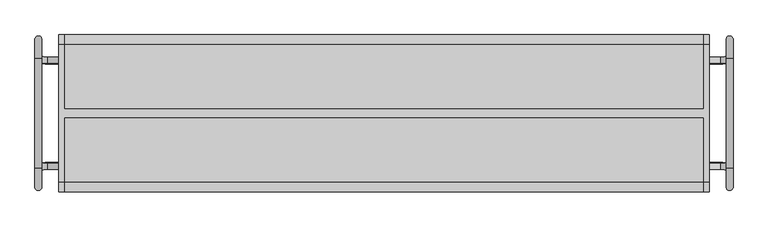
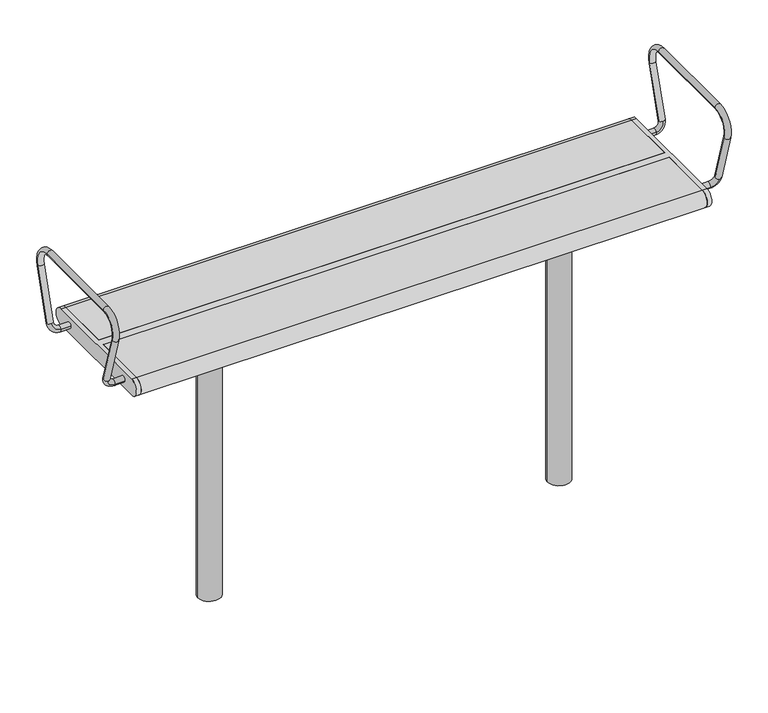
"""IFC4 building model written with IfcOpenShell, lengths in millimetres: furniture geometry."""

import ifcopenshell
import ifcopenshell.guid

model = None  # the IFC model being written
_history = None  # IfcOwnerHistory: only IFC2X3 demands one
_inside = {}  # id of a spatial element -> (the spatial element, [elements in it])
_under = {}  # id of a project, library or spatial element -> (it, [spatial elements below it])
_declared = {}  # id of a project -> (the project, [libraries it declares])
_typed = {}  # id of a type object -> (the type object, [elements of that type])
_made_of = {}  # id of a material, layer set ... -> (it, [elements and type objects made of it])


def new_model(schema):
    """Start an empty IFC model of exactly this schema.

    Asked for "IFC4X3", IfcOpenShell would pick the latest addendum, in which some entities
    have other attributes; the version numbers below select the first issue.
    IFC2X3 requires an IfcOwnerHistory on every rooted entity: one is made here for all.
    """
    global model, _history
    if schema == "IFC4X3":
        model = ifcopenshell.file(schema_version=(4, 3, 0, 0))
    else:
        model = ifcopenshell.file(schema=schema)
    _inside.clear()
    _under.clear()
    _declared.clear()
    _typed.clear()
    _made_of.clear()
    _history = None
    if model.schema == "IFC2X3":
        org = make("IfcOrganization", Name="unknown")
        user = make(
            "IfcPersonAndOrganization",
            ThePerson=make("IfcPerson", FamilyName="unknown"),
            TheOrganization=org,
        )
        app = make(
            "IfcApplication",
            ApplicationDeveloper=org,
            Version="unknown",
            ApplicationFullName="unknown",
            ApplicationIdentifier="unknown",
        )
        _history = make(
            "IfcOwnerHistory",
            OwningUser=user,
            OwningApplication=app,
            ChangeAction="ADDED",
            CreationDate=0,
        )
    return model


def make(cls, **values):
    """One entity of the class cls with the attributes given. An attribute that is None is left unset."""
    return model.create_entity(
        cls, **{name: value for name, value in values.items() if value is not None}
    )


def rooted(cls, **values):
    """An entity with a GlobalId (a new one), such as an element, a storey or a relation."""
    return make(cls, GlobalId=ifcopenshell.guid.new(), OwnerHistory=_history, **values)


def si_unit(unit_type, name, prefix=None):
    """IfcSIUnit, for example si_unit("LENGTHUNIT", "METRE", prefix="MILLI")."""
    return make("IfcSIUnit", UnitType=unit_type, Prefix=prefix, Name=name)


def assignment(units):
    """IfcUnitAssignment: the units of a project."""
    return None if units is None else make("IfcUnitAssignment", Units=units)


def point(xyz):
    """IfcCartesianPoint."""
    return None if xyz is None else make("IfcCartesianPoint", Coordinates=xyz)


def direction(xyz):
    """IfcDirection."""
    return None if xyz is None else make("IfcDirection", DirectionRatios=xyz)


def frame(location, z_axis=None, x_axis=None):
    """IfcAxis2Placement3D, a coordinate frame: its origin and axes. An axis left out is left unset."""
    return make(
        "IfcAxis2Placement3D",
        Location=point(location),
        Axis=direction(z_axis),
        RefDirection=direction(x_axis),
    )


def frame_2d(location, x_axis=None):
    """IfcAxis2Placement2D, a coordinate frame in the plane: its origin and x axis."""
    return make(
        "IfcAxis2Placement2D", Location=point(location), RefDirection=direction(x_axis)
    )


def origin():
    """The frame at (0, 0, 0) with its axes left unset."""
    return frame((0.0, 0.0, 0.0))


def place(relative_to, where):
    """IfcLocalPlacement: puts the frame where relative to a parent placement (None: the world)."""
    return make(
        "IfcLocalPlacement", PlacementRelTo=relative_to, RelativePlacement=where
    )


def context(
    kind, dimensions, precision=None, world=None, true_north=None, identifier=None
):
    """IfcGeometricRepresentationContext, for example the 3D "Model" context."""
    return make(
        "IfcGeometricRepresentationContext",
        ContextIdentifier=identifier,
        ContextType=kind,
        CoordinateSpaceDimension=dimensions,
        Precision=precision,
        WorldCoordinateSystem=world,
        TrueNorth=true_north,
    )


def project(units=None, contexts=None):
    """IfcProject with its units and contexts."""
    return rooted(
        "IfcProject",
        Name="project",
        RepresentationContexts=contexts,
        UnitsInContext=assignment(units),
    )


def spatial(cls, under=None, at=None, **own):
    """A site, building, storey or space (cls), placed at a placement, below another one or the project."""
    s = rooted(cls, ObjectPlacement=at, **own)
    if under is not None:
        _under.setdefault(under.id(), (under, []))[1].append(s)
    return s


def polyline(points):
    """IfcPolyline through the points."""
    return make("IfcPolyline", Points=[point(p) for p in points])


def circle_curve(where, radius):
    """IfcCircle in the frame where."""
    return make("IfcCircle", Position=where, Radius=radius)


def ellipse_curve(where, semi_axis1, semi_axis2):
    """IfcEllipse in the frame where."""
    return make(
        "IfcEllipse", Position=where, SemiAxis1=semi_axis1, SemiAxis2=semi_axis2
    )


def trimmed(basis, trim1, trim2, sense, master):
    """IfcTrimmedCurve: the piece of a basis curve between two trims."""
    return make(
        "IfcTrimmedCurve",
        BasisCurve=basis,
        Trim1=trim1,
        Trim2=trim2,
        SenseAgreement=sense,
        MasterRepresentation=master,
    )


def segment(curve, same_sense, transition):
    """IfcCompositeCurveSegment."""
    return make(
        "IfcCompositeCurveSegment",
        Transition=transition,
        SameSense=same_sense,
        ParentCurve=curve,
    )


def composite_curve(segments, self_intersect=None):
    """IfcCompositeCurve: segments joined end to end."""
    return make("IfcCompositeCurve", Segments=segments, SelfIntersect=self_intersect)


def outline(outer, holes=None, kind="AREA"):
    """IfcArbitraryClosedProfileDef: a profile drawn as a closed curve; with holes, ...WithVoids."""
    if holes is None:
        return make("IfcArbitraryClosedProfileDef", ProfileType=kind, OuterCurve=outer)
    return make(
        "IfcArbitraryProfileDefWithVoids",
        ProfileType=kind,
        OuterCurve=outer,
        InnerCurves=holes,
    )


def extrude(swept, where, along, depth):
    """IfcExtrudedAreaSolid: the profile swept, set in the frame where, extruded along a direction by depth."""
    return make(
        "IfcExtrudedAreaSolid",
        SweptArea=swept,
        Position=where,
        ExtrudedDirection=direction(along),
        Depth=depth,
    )


def shape(context_of_items, identifier, shape_type, items):
    """IfcShapeRepresentation: the items that make up one representation, for example the "Body"."""
    return make(
        "IfcShapeRepresentation",
        ContextOfItems=context_of_items,
        RepresentationIdentifier=identifier,
        RepresentationType=shape_type,
        Items=items,
    )


def source(mapping_origin, context_of_items, identifier, shape_type, items):
    """IfcRepresentationMap: a shape defined once, which mapped items show again and again."""
    return make(
        "IfcRepresentationMap",
        MappingOrigin=mapping_origin,
        MappedRepresentation=shape(context_of_items, identifier, shape_type, items),
    )


def transform(
    local_origin,
    x_axis=None,
    y_axis=None,
    z_axis=None,
    scale=None,
    scale2=None,
    scale3=None,
    uniform=True,
):
    """IfcCartesianTransformationOperator3D, or its non-uniform kind. x_axis, y_axis, z_axis: its Axis1, 2, 3."""
    if uniform:
        return make(
            "IfcCartesianTransformationOperator3D",
            Axis1=direction(x_axis),
            Axis2=direction(y_axis),
            LocalOrigin=point(local_origin),
            Scale=scale,
            Axis3=direction(z_axis),
        )
    return make(
        "IfcCartesianTransformationOperator3DnonUniform",
        Axis1=direction(x_axis),
        Axis2=direction(y_axis),
        LocalOrigin=point(local_origin),
        Scale=scale,
        Axis3=direction(z_axis),
        Scale2=scale2,
        Scale3=scale3,
    )


def mapped(mapping_source, mapping_target):
    """IfcMappedItem: shows the shape of a source again, moved by a transform."""
    return make(
        "IfcMappedItem", MappingSource=mapping_source, MappingTarget=mapping_target
    )


def made_of(thing, what):
    """Note that an element or type object is made of a material, layer set ...; save() writes the relation."""
    if what is not None:
        _made_of.setdefault(what.id(), (what, []))[1].append(thing)
    return thing


def element(
    cls,
    number,
    at=None,
    inside=None,
    cuts=None,
    type_object=None,
    material=None,
    context=None,
    identifier="Body",
    shape_type=None,
    held_by="IfcProductDefinitionShape",
    body=None,
    shapes=None,
    **own,
):
    """One element of the class cls, such as IfcWall. Its Tag is "e" and its number.

    at: its placement. inside: the storey or other place that contains it. cuts: it is an
    opening in that element (IfcRelVoidsElement). A single representation is given by context,
    identifier, shape_type and body (its items); several are given by shapes. held_by: the class
    of the entity that holds the representations. save() writes the other relations.
    """
    e = rooted(cls, Tag="e%d" % number, ObjectPlacement=at, **own)
    if body is not None:
        shapes = [shape(context, identifier, shape_type, body)]
    if shapes is not None:
        e.Representation = make(held_by, Representations=shapes)
    if inside is not None:
        _inside.setdefault(inside.id(), (inside, []))[1].append(e)
    if cuts is not None:
        rooted(
            "IfcRelVoidsElement", RelatingBuildingElement=cuts, RelatedOpeningElement=e
        )
    if type_object is not None:
        _typed.setdefault(type_object.id(), (type_object, []))[1].append(e)
    return made_of(e, material)


def aggregate(whole, parts):
    """IfcRelAggregates: a whole, such as a stair, and the parts it consists of."""
    return rooted("IfcRelAggregates", RelatingObject=whole, RelatedObjects=parts)


def save(model, path):
    """Write the relations noted so far, then the file.

    IfcRelAggregates (storeys below a building ...), IfcRelContainedInSpatialStructure (elements
    in a storey), IfcRelDefinesByType, IfcRelAssociatesMaterial and IfcRelDeclares: one each for
    every whole, place, type object, material and project.
    """
    for whole, parts in _under.values():
        aggregate(whole, parts)
    for where, things in _inside.values():
        rooted(
            "IfcRelContainedInSpatialStructure",
            RelatedElements=things,
            RelatingStructure=where,
        )
    for kind, things in _typed.values():
        rooted("IfcRelDefinesByType", RelatedObjects=things, RelatingType=kind)
    for what, things in _made_of.values():
        rooted("IfcRelAssociatesMaterial", RelatedObjects=things, RelatingMaterial=what)
    for by, libraries in _declared.values():
        rooted("IfcRelDeclares", RelatingContext=by, RelatedDefinitions=libraries)
    model.write(path)


def plane_surface(at):
    """IfcPlane: the flat surface through the origin of the frame at, square to its z axis."""
    return make("IfcPlane", Position=at)


def cylinder_surface(at, radius):
    """IfcCylindricalSurface: all points at the distance radius from the z axis of the frame at."""
    return make("IfcCylindricalSurface", Position=at, Radius=radius)


def revolved_surface(curve, axis_point, axis_direction):
    """IfcSurfaceOfRevolution: the curve turned about the line through axis_point along axis_direction."""
    return make(
        "IfcSurfaceOfRevolution",
        SweptCurve=make("IfcArbitraryOpenProfileDef", ProfileType="CURVE", Curve=curve),
        AxisPosition=make("IfcAxis1Placement", Location=point(axis_point), Axis=direction(axis_direction)),
    )


def advanced_brep(points, edges, surfaces, faces):
    """IfcAdvancedBrep: a solid bounded by faces that lie on surfaces and meet in shared edges.

    An edge is (start, end): straight between two places in points (the first is 0);
    or (start, end, curve); or (start, end, curve, False) where it runs against its curve.
    A face is (place in surfaces, loops), or (place, loops, False) where it looks against
    its surface's normal. A loop lists edges by number (the first is 1), with a minus sign
    where the edge is run from its end to its start. The first loop is the outer one.
    """
    corners = [point(p) for p in points]
    vertices = [make("IfcVertexPoint", VertexGeometry=c) for c in corners]
    made = []
    for start, end, *more in edges:
        made.append(
            make(
                "IfcEdgeCurve",
                EdgeStart=vertices[start],
                EdgeEnd=vertices[end],
                EdgeGeometry=more[0] if more else make("IfcPolyline", Points=[corners[start], corners[end]]),
                SameSense=more[1] if len(more) > 1 else True,
            )
        )
    hull = []
    for where, loops, *sense in faces:
        bounds = []
        for j, loop in enumerate(loops):
            ring = [make("IfcOrientedEdge", EdgeElement=made[abs(k) - 1], Orientation=k > 0) for k in loop]
            bounds.append(
                make(
                    "IfcFaceOuterBound" if j == 0 else "IfcFaceBound",
                    Bound=make("IfcEdgeLoop", EdgeList=ring),
                    Orientation=True,
                )
            )
        hull.append(make("IfcAdvancedFace", Bounds=bounds, FaceSurface=surfaces[where], SameSense=sense[0] if sense else True))
    return make("IfcAdvancedBrep", Outer=make("IfcClosedShell", CfsFaces=hull))


def furniture_abea199f(model_context):
    return source(origin(), model_context, "Body", "SolidModel", [
        extrude(outline(composite_curve([segment(trimmed(circle_curve(frame_2d((460.0, 0.0)), 30.0), [point((430.0, 0.0))], [point((490.0, 0.0))], False, "CARTESIAN"), True, "CONTINUOUS"), segment(trimmed(circle_curve(frame_2d((460.0, 0.0)), 30.0), [point((490.0, 0.0))], [point((430.0, 0.0))], False, "CARTESIAN"), True, "CONTINUOUS")], self_intersect=False)), frame((0.0, 0.0, -350.0), z_axis=(0.0, 0.0, 1.0), x_axis=(1.0, 0.0, 0.0)), (0.0, 0.0, 1.0), 739.0),
        extrude(outline(polyline([(535.0, 125.0), (535.0, -125.0), (385.0, -125.0), (385.0, 125.0), (535.0, 125.0)])), frame((0.0, 0.0, 389.0), z_axis=(0.0, 0.0, 1.0), x_axis=(1.0, 0.0, 0.0)), (0.0, 0.0, 1.0), 16.0),
        extrude(outline(composite_curve([segment(trimmed(circle_curve(frame_2d((-460.0, 0.0)), 30.0), [point((-490.0, 0.0))], [point((-430.0, 0.0))], False, "CARTESIAN"), True, "CONTINUOUS"), segment(trimmed(circle_curve(frame_2d((-460.0, 0.0)), 30.0), [point((-430.0, 0.0))], [point((-490.0, 0.0))], False, "CARTESIAN"), True, "CONTINUOUS")], self_intersect=False)), frame((0.0, 0.0, -350.0), z_axis=(0.0, 0.0, 1.0), x_axis=(1.0, 0.0, 0.0)), (0.0, 0.0, 1.0), 739.0),
        extrude(outline(polyline([(-385.0, 125.0), (-385.0, -125.0), (-535.0, -125.0), (-535.0, 125.0), (-385.0, 125.0)])), frame((0.0, 0.0, 389.0), z_axis=(0.0, 0.0, 1.0), x_axis=(1.0, 0.0, 0.0)), (0.0, 0.0, 1.0), 16.0),
        advanced_brep(
        [(797.0, 129.1398058, 447.5823999), (797.0, 170.6460701, 583.3432733), (813.0, 170.6460701, 583.3432733), (813.0, 129.1398058, 447.5823999), (805.0, 136.7902438, 445.2434262), (805.0, 121.4893678, 449.9213735), (813.0, 127.6123561, 641.5), (797.0, 127.6123561, 641.5), (797.0, -127.6123561, 641.5), (813.0, -127.6123561, 641.5), (797.0, -170.6460701, 583.3432733), (813.0, -170.6460701, 583.3432733), (797.0, -129.1398058, 447.5823999), (805.0, -136.7902438, 445.2434262), (813.0, -129.1398058, 447.5823999), (805.0, -121.4893678, 449.9213735), (784.0, -115.349562, 429.8389736), (784.0, -130.650438, 425.1610264), (757.0, -130.650438, 425.1610264), (757.0, -115.349562, 429.8389736), (784.0, 130.650438, 425.1610264), (784.0, 115.349562, 429.8389736), (757.0, 130.650438, 425.1610264), (757.0, 115.349562, 429.8389736)],
        [
            (0, 1),
            (1, 2, circle_curve(frame((805.0, 170.6460701, 583.3432733), z_axis=(0.0, -0.2923717047227381, -0.9563047559630351), x_axis=(-1.0, 0.0, 0.0)), 8.0)),
            (2, 3),
            (3, 4, circle_curve(frame((805.0, 129.1398058, 447.5823999), z_axis=(0.0, 0.2923717047227381, 0.9563047559630351), x_axis=(-1.0, 0.0, 0.0)), 8.0)),
            (4, 0, circle_curve(frame((805.0, 129.1398058, 447.5823999), z_axis=(0.0, 0.2923717047227381, 0.9563047559630351), x_axis=(-1.0, 0.0, 0.0)), 8.0)),
            (0, 5, circle_curve(frame((805.0, 129.1398058, 447.5823999), z_axis=(0.0, 0.2923717047227381, 0.9563047559630351), x_axis=(-1.0, 0.0, 0.0)), 8.0)),
            (5, 3, circle_curve(frame((805.0, 129.1398058, 447.5823999), z_axis=(0.0, 0.2923717047227381, 0.9563047559630351), x_axis=(-1.0, 0.0, 0.0)), 8.0)),
            (2, 1, circle_curve(frame((805.0, 170.6460701, 583.3432733), z_axis=(0.0, -0.2923717047227381, -0.9563047559630351), x_axis=(-1.0, 0.0, 0.0)), 8.0)),
            (6, 7, circle_curve(frame((805.0, 127.6123561, 641.5), z_axis=(0.0, -1.0, 0.0), x_axis=(-1.0, 0.0, 0.0)), 8.0)),
            (7, 8),
            (8, 9, circle_curve(frame((805.0, -127.6123561, 641.5), z_axis=(0.0, 1.0, 0.0), x_axis=(-1.0, 0.0, 0.0)), 8.0)),
            (9, 6),
            (7, 6, circle_curve(frame((805.0, 127.6123561, 641.5), z_axis=(0.0, -1.0, 0.0), x_axis=(-1.0, 0.0, 0.0)), 8.0)),
            (9, 8, circle_curve(frame((805.0, -127.6123561, 641.5), z_axis=(0.0, 1.0, 0.0), x_axis=(-1.0, 0.0, 0.0)), 8.0)),
            (1, 7, circle_curve(frame((797.0, 127.6123561, 596.5), z_axis=(1.0, 0.0, 0.0), x_axis=(0.0, 0.9563047559630351, -0.2923717047227379)), 45.0)),
            (6, 2, circle_curve(frame((813.0, 127.6123561, 596.5), z_axis=(-1.0, 0.0, 0.0), x_axis=(0.0, 0.9563047559630351, -0.2923717047227379)), 45.0)),
            (8, 10, circle_curve(frame((797.0, -127.6123561, 596.5), z_axis=(1.0, 0.0, 0.0), x_axis=(0.0, 0.0, 1.0)), 45.0)),
            (10, 11, circle_curve(frame((805.0, -170.6460701, 583.3432733), z_axis=(0.0, -0.29237170472274115, 0.9563047559630341), x_axis=(-1.0, 0.0, 0.0)), 8.0)),
            (11, 9, circle_curve(frame((813.0, -127.6123561, 596.5), z_axis=(-1.0, 0.0, 0.0), x_axis=(0.0, 0.0, 1.0)), 45.0)),
            (11, 10, circle_curve(frame((805.0, -170.6460701, 583.3432733), z_axis=(0.0, -0.29237170472274093, 0.9563047559630342), x_axis=(-1.0, 0.0, 0.0)), 8.0)),
            (10, 12),
            (12, 13, circle_curve(frame((805.0, -129.1398058, 447.5823999), z_axis=(0.0, -0.29237170472273494, 0.9563047559630361), x_axis=(-1.0, 0.0, 0.0)), 8.0)),
            (13, 14, circle_curve(frame((805.0, -129.1398058, 447.5823999), z_axis=(0.0, -0.29237170472273494, 0.9563047559630361), x_axis=(-1.0, 0.0, 0.0)), 8.0)),
            (14, 11),
            (14, 15, circle_curve(frame((805.0, -129.1398058, 447.5823999), z_axis=(0.0, -0.29237170472273494, 0.9563047559630361), x_axis=(-1.0, 0.0, 0.0)), 8.0)),
            (15, 12, circle_curve(frame((805.0, -129.1398058, 447.5823999), z_axis=(0.0, -0.29237170472273494, 0.9563047559630361), x_axis=(-1.0, 0.0, 0.0)), 8.0)),
            (16, 15, circle_curve(frame((784.0, -121.4893678, 449.9213735), z_axis=(0.0, -0.9563047559630359, -0.29237170472273544), x_axis=(1.0, 0.0, 0.0)), 21.0)),
            (13, 17, circle_curve(frame((784.0, -136.7902438, 445.2434262), z_axis=(0.0, 0.9563047559630359, 0.29237170472273544), x_axis=(1.0, 0.0, 0.0)), 21.0)),
            (17, 16, circle_curve(frame((784.0, -123.0, 427.5), z_axis=(1.0, 0.0, 0.0), x_axis=(0.0, 0.9563047559630359, 0.29237170472273544)), 8.0)),
            (16, 17, circle_curve(frame((784.0, -123.0, 427.5), z_axis=(1.0, 0.0, 0.0), x_axis=(0.0, 0.9563047559630359, 0.29237170472273544)), 8.0)),
            (18, 19, circle_curve(frame((757.0, -123.0, 427.5), z_axis=(-1.0, 0.0, 0.0), x_axis=(0.0, 0.956304755963036, 0.2923717047227355)), 8.0)),
            (19, 18, circle_curve(frame((757.0, -123.0, 427.5), z_axis=(-1.0, 0.0, 0.0), x_axis=(0.0, 0.956304755963036, 0.2923717047227355)), 8.0)),
            (17, 18),
            (19, 16),
            (20, 4, circle_curve(frame((784.0, 136.7902438, 445.2434262), z_axis=(0.0, -0.9563047559630359, 0.29237170472273544), x_axis=(1.0, 0.0, 0.0)), 21.0)),
            (5, 21, circle_curve(frame((784.0, 121.4893678, 449.9213735), z_axis=(0.0, 0.9563047559630359, -0.29237170472273544), x_axis=(1.0, 0.0, 0.0)), 21.0)),
            (21, 20, circle_curve(frame((784.0, 123.0, 427.5), z_axis=(1.0, 0.0, 0.0), x_axis=(0.0, -0.9563047559630359, 0.29237170472273544)), 8.0)),
            (20, 21, circle_curve(frame((784.0, 123.0, 427.5), z_axis=(1.0, 0.0, 0.0), x_axis=(0.0, -0.9563047559630359, 0.29237170472273544)), 8.0)),
            (22, 23, circle_curve(frame((757.0, 123.0, 427.5), z_axis=(-1.0, 0.0, 0.0), x_axis=(0.0, -0.956304755963036, 0.2923717047227355)), 8.0)),
            (23, 22, circle_curve(frame((757.0, 123.0, 427.5), z_axis=(-1.0, 0.0, 0.0), x_axis=(0.0, -0.956304755963036, 0.2923717047227355)), 8.0)),
            (21, 23),
            (22, 20),
        ],
        [
            cylinder_surface(frame((805.0, 129.1398058, 447.5823999), z_axis=(0.0, -0.2923717047227381, -0.9563047559630351), x_axis=(-1.0, 0.0, 0.0)), 8.0),
            cylinder_surface(frame((805.0, 127.6123561, 641.5), z_axis=(0.0, 1.0, 0.0), x_axis=(-1.0, 0.0, 0.0)), 8.0),
            revolved_surface(trimmed(ellipse_curve(frame((805.0, 170.6460701, 583.3432733), z_axis=(0.0, -0.2923717047227378, -0.9563047559630351), x_axis=(-1.0, 0.0, 0.0)), 8.0, 8.0), [point((797.0, 170.6460701, 583.3432733))], [point((813.0, 170.6460701, 583.3432733))], True, "CARTESIAN"), (0.0, 127.6123561, 596.5), (1.0, 0.0, 0.0)),
            revolved_surface(trimmed(ellipse_curve(frame((805.0, 170.6460701, 583.3432733), z_axis=(0.0, -0.2923717047227378, -0.9563047559630351), x_axis=(-1.0, 0.0, 0.0)), 8.0, 8.0), [point((813.0, 170.6460701, 583.3432733))], [point((797.0, 170.6460701, 583.3432733))], True, "CARTESIAN"), (0.0, 127.6123561, 596.5), (1.0, 0.0, 0.0)),
            revolved_surface(trimmed(ellipse_curve(frame((805.0, -127.6123561, 641.5), z_axis=(0.0, 1.0, 0.0), x_axis=(-1.0, 0.0, 0.0)), 8.0, 8.0), [point((797.0, -127.6123561, 641.5))], [point((813.0, -127.6123561, 641.5))], True, "CARTESIAN"), (0.0, -127.6123561, 596.5), (1.0, 0.0, 0.0)),
            revolved_surface(trimmed(ellipse_curve(frame((805.0, -127.6123561, 641.5), z_axis=(0.0, 1.0, 0.0), x_axis=(-1.0, 0.0, 0.0)), 8.0, 8.0), [point((813.0, -127.6123561, 641.5))], [point((797.0, -127.6123561, 641.5))], True, "CARTESIAN"), (0.0, -127.6123561, 596.5), (1.0, 0.0, 0.0)),
            cylinder_surface(frame((805.0, -170.6460701, 583.3432733), z_axis=(0.0, -0.29237170472273494, 0.9563047559630361), x_axis=(-1.0, 0.0, 0.0)), 8.0),
            revolved_surface(trimmed(ellipse_curve(frame((805.0, -129.1398058, 447.5823999), z_axis=(0.0, -0.29237170472273544, 0.9563047559630359), x_axis=(0.0, 0.9563047559630359, 0.29237170472273544)), 8.0, 8.0), [point((805.0, -136.7902438, 445.2434262))], [point((805.0, -121.4893678, 449.9213735))], True, "CARTESIAN"), (784.0, -11.5143208, 483.5441196), (0.0, 0.9563047559630359, 0.29237170472273544)),
            revolved_surface(trimmed(ellipse_curve(frame((805.0, -129.1398058, 447.5823999), z_axis=(0.0, -0.29237170472273544, 0.9563047559630359), x_axis=(0.0, 0.9563047559630359, 0.29237170472273544)), 8.0, 8.0), [point((805.0, -121.4893678, 449.9213735))], [point((805.0, -136.7902438, 445.2434262))], True, "CARTESIAN"), (784.0, -11.5143208, 483.5441196), (0.0, 0.9563047559630359, 0.29237170472273544)),
            plane_surface(frame((757.0, -5.374515, 463.4617197), z_axis=(-1.0, 0.0, 0.0), x_axis=(0.0, 0.9563047559630359, 0.29237170472273544))),
            cylinder_surface(frame((784.0, -123.0, 427.5), z_axis=(1.0, 0.0, 0.0), x_axis=(0.0, 0.956304755963036, 0.2923717047227355)), 8.0),
            revolved_surface(trimmed(ellipse_curve(frame((805.0, 129.1398058, 447.5823999), z_axis=(0.0, 0.29237170472273544, 0.9563047559630359), x_axis=(0.0, -0.9563047559630359, 0.29237170472273544)), 8.0, 8.0), [point((805.0, 121.4893678, 449.9213735))], [point((805.0, 136.7902438, 445.2434262))], True, "CARTESIAN"), (784.0, 11.5143208, 483.5441196), (0.0, 0.9563047559630359, -0.29237170472273544)),
            revolved_surface(trimmed(ellipse_curve(frame((805.0, 129.1398058, 447.5823999), z_axis=(0.0, 0.29237170472273544, 0.9563047559630359), x_axis=(0.0, -0.9563047559630359, 0.29237170472273544)), 8.0, 8.0), [point((805.0, 136.7902438, 445.2434262))], [point((805.0, 121.4893678, 449.9213735))], True, "CARTESIAN"), (784.0, 11.5143208, 483.5441196), (0.0, 0.9563047559630359, -0.29237170472273544)),
            plane_surface(frame((757.0, 5.374515, 463.4617197), z_axis=(-1.0, 0.0, 0.0), x_axis=(0.0, -0.9563047559630359, 0.29237170472273544))),
            cylinder_surface(frame((784.0, 123.0, 427.5), z_axis=(1.0, 0.0, 0.0), x_axis=(0.0, -0.956304755963036, 0.2923717047227355)), 8.0),
        ],
        [
            (0, [[1, 2, 3, 4, 5]]),
            (0, [[-1, 6, 7, -3, 8]]),
            (1, [[9, 10, 11, 12]]),
            (1, [[-10, 13, -12, 14]]),
            (2, [[-2, 15, -9, 16]]),
            (3, [[-8, -16, -13, -15]]),
            (4, [[-11, 17, 18, 19]]),
            (5, [[-14, -19, 20, -17]]),
            (6, [[-18, 21, 22, 23, 24]]),
            (6, [[-20, -24, 25, 26, -21]]),
            (7, [[27, -25, -23, 28, 29]]),
            (8, [[-27, 30, -28, -22, -26]]),
            (9, [[31, 32]]),
            (10, [[-29, 33, -32, 34]]),
            (10, [[-30, -34, -31, -33]]),
            (11, [[35, -4, -7, 36, 37]]),
            (12, [[-35, 38, -36, -6, -5]]),
            (13, [[39, 40]]),
            (14, [[-37, 41, -39, 42]]),
            (14, [[-38, -42, -40, -41]]),
        ],
    ),
        advanced_brep(
        [(-784.0, -130.650438, 425.1610264), (-805.0, -136.7902438, 445.2434262), (-813.0, -129.1398058, 447.5823999), (-805.0, -121.4893678, 449.9213735), (-784.0, -115.349562, 429.8389736), (-797.0, -129.1398058, 447.5823999), (-757.0, -130.650438, 425.1610264), (-757.0, -115.349562, 429.8389736), (-813.0, 129.1398058, 447.5823999), (-813.0, 170.6460701, 583.3432733), (-797.0, 170.6460701, 583.3432733), (-797.0, 129.1398058, 447.5823999), (-805.0, 136.7902438, 445.2434262), (-805.0, 121.4893678, 449.9213735), (-797.0, 127.6123561, 641.5), (-813.0, 127.6123561, 641.5), (-813.0, -127.6123561, 641.5), (-797.0, -127.6123561, 641.5), (-813.0, -170.6460701, 583.3432733), (-797.0, -170.6460701, 583.3432733), (-784.0, 115.349562, 429.8389736), (-784.0, 130.650438, 425.1610264), (-757.0, 130.650438, 425.1610264), (-757.0, 115.349562, 429.8389736)],
        [
            (0, 1, circle_curve(frame((-784.0, -136.7902438, 445.2434262), z_axis=(0.0, 0.9563047559630359, 0.29237170472273544), x_axis=(-1.0, 0.0, 0.0)), 21.0)),
            (1, 2, circle_curve(frame((-805.0, -129.1398058, 447.5823999), z_axis=(0.0, 0.29237170472273544, -0.9563047559630359), x_axis=(0.0, 0.9563047559630359, 0.29237170472273544)), 8.0)),
            (2, 3, circle_curve(frame((-805.0, -129.1398058, 447.5823999), z_axis=(0.0, 0.29237170472273544, -0.9563047559630359), x_axis=(0.0, 0.9563047559630359, 0.29237170472273544)), 8.0)),
            (3, 4, circle_curve(frame((-784.0, -121.4893678, 449.9213735), z_axis=(0.0, -0.9563047559630359, -0.29237170472273544), x_axis=(-1.0, 0.0, 0.0)), 21.0)),
            (4, 0, circle_curve(frame((-784.0, -123.0, 427.5), z_axis=(-1.0, 0.0, 0.0), x_axis=(0.0, 0.9563047559630359, 0.29237170472273544)), 8.0)),
            (0, 4, circle_curve(frame((-784.0, -123.0, 427.5), z_axis=(-1.0, 0.0, 0.0), x_axis=(0.0, 0.9563047559630359, 0.29237170472273544)), 8.0)),
            (3, 5, circle_curve(frame((-805.0, -129.1398058, 447.5823999), z_axis=(0.0, 0.29237170472273544, -0.9563047559630359), x_axis=(0.0, 0.9563047559630359, 0.29237170472273544)), 8.0)),
            (5, 1, circle_curve(frame((-805.0, -129.1398058, 447.5823999), z_axis=(0.0, 0.29237170472273544, -0.9563047559630359), x_axis=(0.0, 0.9563047559630359, 0.29237170472273544)), 8.0)),
            (6, 7, circle_curve(frame((-757.0, -123.0, 427.5), z_axis=(1.0, 0.0, 0.0), x_axis=(0.0, 0.956304755963036, 0.2923717047227355)), 8.0)),
            (7, 6, circle_curve(frame((-757.0, -123.0, 427.5), z_axis=(1.0, 0.0, 0.0), x_axis=(0.0, 0.956304755963036, 0.2923717047227355)), 8.0)),
            (4, 7),
            (6, 0),
            (8, 9),
            (9, 10, circle_curve(frame((-805.0, 170.6460701, 583.3432733), z_axis=(0.0, -0.2923717047227381, -0.9563047559630351), x_axis=(1.0, 0.0, 0.0)), 8.0)),
            (10, 11),
            (11, 12, circle_curve(frame((-805.0, 129.1398058, 447.5823999), z_axis=(0.0, 0.2923717047227381, 0.9563047559630351), x_axis=(1.0, 0.0, 0.0)), 8.0)),
            (12, 8, circle_curve(frame((-805.0, 129.1398058, 447.5823999), z_axis=(0.0, 0.2923717047227381, 0.9563047559630351), x_axis=(1.0, 0.0, 0.0)), 8.0)),
            (8, 13, circle_curve(frame((-805.0, 129.1398058, 447.5823999), z_axis=(0.0, 0.2923717047227381, 0.9563047559630351), x_axis=(1.0, 0.0, 0.0)), 8.0)),
            (13, 11, circle_curve(frame((-805.0, 129.1398058, 447.5823999), z_axis=(0.0, 0.2923717047227381, 0.9563047559630351), x_axis=(1.0, 0.0, 0.0)), 8.0)),
            (10, 9, circle_curve(frame((-805.0, 170.6460701, 583.3432733), z_axis=(0.0, -0.2923717047227381, -0.9563047559630351), x_axis=(1.0, 0.0, 0.0)), 8.0)),
            (14, 15, circle_curve(frame((-805.0, 127.6123561, 641.5), z_axis=(0.0, -1.0, 0.0), x_axis=(1.0, 0.0, 0.0)), 8.0)),
            (15, 16),
            (16, 17, circle_curve(frame((-805.0, -127.6123561, 641.5), z_axis=(0.0, 1.0, 0.0), x_axis=(1.0, 0.0, 0.0)), 8.0)),
            (17, 14),
            (15, 14, circle_curve(frame((-805.0, 127.6123561, 641.5), z_axis=(0.0, -1.0, 0.0), x_axis=(1.0, 0.0, 0.0)), 8.0)),
            (17, 16, circle_curve(frame((-805.0, -127.6123561, 641.5), z_axis=(0.0, 1.0, 0.0), x_axis=(1.0, 0.0, 0.0)), 8.0)),
            (9, 15, circle_curve(frame((-813.0, 127.6123561, 596.5), z_axis=(1.0, 0.0, 0.0), x_axis=(0.0, 0.9563047559630351, -0.2923717047227379)), 45.0)),
            (14, 10, circle_curve(frame((-797.0, 127.6123561, 596.5), z_axis=(-1.0, 0.0, 0.0), x_axis=(0.0, 0.9563047559630351, -0.2923717047227379)), 45.0)),
            (16, 18, circle_curve(frame((-813.0, -127.6123561, 596.5), z_axis=(1.0, 0.0, 0.0), x_axis=(0.0, 0.0, 1.0)), 45.0)),
            (18, 19, circle_curve(frame((-805.0, -170.6460701, 583.3432733), z_axis=(0.0, -0.2923717047227414, 0.9563047559630341), x_axis=(1.0, 0.0, 0.0)), 8.0)),
            (19, 17, circle_curve(frame((-797.0, -127.6123561, 596.5), z_axis=(-1.0, 0.0, 0.0), x_axis=(0.0, 0.0, 1.0)), 45.0)),
            (19, 18, circle_curve(frame((-805.0, -170.6460701, 583.3432733), z_axis=(0.0, -0.2923717047227414, 0.9563047559630341), x_axis=(1.0, 0.0, 0.0)), 8.0)),
            (18, 2),
            (5, 19),
            (20, 13, circle_curve(frame((-784.0, 121.4893678, 449.9213735), z_axis=(0.0, 0.9563047559630359, -0.29237170472273544), x_axis=(-1.0, 0.0, 0.0)), 21.0)),
            (12, 21, circle_curve(frame((-784.0, 136.7902438, 445.2434262), z_axis=(0.0, -0.9563047559630359, 0.29237170472273544), x_axis=(-1.0, 0.0, 0.0)), 21.0)),
            (21, 20, circle_curve(frame((-784.0, 123.0, 427.5), z_axis=(-1.0, 0.0, 0.0), x_axis=(0.0, -0.9563047559630359, 0.29237170472273544)), 8.0)),
            (20, 21, circle_curve(frame((-784.0, 123.0, 427.5), z_axis=(-1.0, 0.0, 0.0), x_axis=(0.0, -0.9563047559630359, 0.29237170472273544)), 8.0)),
            (22, 23, circle_curve(frame((-757.0, 123.0, 427.5), z_axis=(1.0, 0.0, 0.0), x_axis=(0.0, -0.956304755963036, 0.2923717047227355)), 8.0)),
            (23, 22, circle_curve(frame((-757.0, 123.0, 427.5), z_axis=(1.0, 0.0, 0.0), x_axis=(0.0, -0.956304755963036, 0.2923717047227355)), 8.0)),
            (21, 22),
            (23, 20),
        ],
        [
            revolved_surface(trimmed(ellipse_curve(frame((-805.0, -129.1398058, 447.5823999), z_axis=(0.0, -0.29237170472273544, 0.9563047559630359), x_axis=(0.0, 0.9563047559630359, 0.29237170472273544)), 8.0, 8.0), [point((-805.0, -121.4893678, 449.9213735))], [point((-805.0, -136.7902438, 445.2434262))], True, "CARTESIAN"), (-784.0, -11.5143208, 483.5441196), (0.0, -0.9563047559630359, -0.29237170472273544)),
            revolved_surface(trimmed(ellipse_curve(frame((-805.0, -129.1398058, 447.5823999), z_axis=(0.0, -0.29237170472273544, 0.9563047559630359), x_axis=(0.0, 0.9563047559630359, 0.29237170472273544)), 8.0, 8.0), [point((-805.0, -136.7902438, 445.2434262))], [point((-805.0, -121.4893678, 449.9213735))], True, "CARTESIAN"), (-784.0, -11.5143208, 483.5441196), (0.0, -0.9563047559630359, -0.29237170472273544)),
            plane_surface(frame((-757.0, -5.374515, 463.4617197), z_axis=(1.0, 0.0, 0.0), x_axis=(0.0, 0.9563047559630359, 0.29237170472273544))),
            cylinder_surface(frame((-784.0, -123.0, 427.5), z_axis=(-1.0, 0.0, 0.0), x_axis=(0.0, 0.956304755963036, 0.2923717047227355)), 8.0),
            cylinder_surface(frame((-805.0, 129.1398058, 447.5823999), z_axis=(0.0, -0.2923717047227381, -0.9563047559630351), x_axis=(1.0, 0.0, 0.0)), 8.0),
            cylinder_surface(frame((-805.0, 127.6123561, 641.5), z_axis=(0.0, 1.0, 0.0), x_axis=(1.0, 0.0, 0.0)), 8.0),
            revolved_surface(trimmed(ellipse_curve(frame((-805.0, 170.6460701, 583.3432733), z_axis=(0.0, -0.2923717047227378, -0.9563047559630351), x_axis=(1.0, 0.0, 0.0)), 8.0, 8.0), [point((-813.0, 170.6460701, 583.3432733))], [point((-797.0, 170.6460701, 583.3432733))], True, "CARTESIAN"), (0.0, 127.6123561, 596.5), (1.0, 0.0, 0.0)),
            revolved_surface(trimmed(ellipse_curve(frame((-805.0, 170.6460701, 583.3432733), z_axis=(0.0, -0.2923717047227378, -0.9563047559630351), x_axis=(1.0, 0.0, 0.0)), 8.0, 8.0), [point((-797.0, 170.6460701, 583.3432733))], [point((-813.0, 170.6460701, 583.3432733))], True, "CARTESIAN"), (0.0, 127.6123561, 596.5), (1.0, 0.0, 0.0)),
            revolved_surface(trimmed(ellipse_curve(frame((-805.0, -127.6123561, 641.5), z_axis=(0.0, 1.0, 0.0), x_axis=(1.0, 0.0, 0.0)), 8.0, 8.0), [point((-813.0, -127.6123561, 641.5))], [point((-797.0, -127.6123561, 641.5))], True, "CARTESIAN"), (0.0, -127.6123561, 596.5), (1.0, 0.0, 0.0)),
            revolved_surface(trimmed(ellipse_curve(frame((-805.0, -127.6123561, 641.5), z_axis=(0.0, 1.0, 0.0), x_axis=(1.0, 0.0, 0.0)), 8.0, 8.0), [point((-797.0, -127.6123561, 641.5))], [point((-813.0, -127.6123561, 641.5))], True, "CARTESIAN"), (0.0, -127.6123561, 596.5), (1.0, 0.0, 0.0)),
            cylinder_surface(frame((-805.0, -170.6460701, 583.3432733), z_axis=(0.0, -0.29237170472273494, 0.9563047559630361), x_axis=(1.0, 0.0, 0.0)), 8.0),
            revolved_surface(trimmed(ellipse_curve(frame((-805.0, 129.1398058, 447.5823999), z_axis=(0.0, 0.29237170472273544, 0.9563047559630359), x_axis=(0.0, -0.9563047559630359, 0.29237170472273544)), 8.0, 8.0), [point((-805.0, 136.7902438, 445.2434262))], [point((-805.0, 121.4893678, 449.9213735))], True, "CARTESIAN"), (-784.0, 11.5143208, 483.5441196), (0.0, -0.9563047559630359, 0.29237170472273544)),
            revolved_surface(trimmed(ellipse_curve(frame((-805.0, 129.1398058, 447.5823999), z_axis=(0.0, 0.29237170472273544, 0.9563047559630359), x_axis=(0.0, -0.9563047559630359, 0.29237170472273544)), 8.0, 8.0), [point((-805.0, 121.4893678, 449.9213735))], [point((-805.0, 136.7902438, 445.2434262))], True, "CARTESIAN"), (-784.0, 11.5143208, 483.5441196), (0.0, -0.9563047559630359, 0.29237170472273544)),
            plane_surface(frame((-757.0, 5.374515, 463.4617197), z_axis=(1.0, 0.0, 0.0), x_axis=(0.0, -0.9563047559630359, 0.29237170472273544))),
            cylinder_surface(frame((-784.0, 123.0, 427.5), z_axis=(-1.0, 0.0, 0.0), x_axis=(0.0, -0.956304755963036, 0.2923717047227355)), 8.0),
        ],
        [
            (0, [[1, 2, 3, 4, 5]]),
            (1, [[-1, 6, -4, 7, 8]]),
            (2, [[9, 10]]),
            (3, [[-5, 11, -9, 12]]),
            (3, [[-6, -12, -10, -11]]),
            (4, [[13, 14, 15, 16, 17]]),
            (4, [[-13, 18, 19, -15, 20]]),
            (5, [[21, 22, 23, 24]]),
            (5, [[-22, 25, -24, 26]]),
            (6, [[-14, 27, -21, 28]]),
            (7, [[-20, -28, -25, -27]]),
            (8, [[-23, 29, 30, 31]]),
            (9, [[-26, -31, 32, -29]]),
            (10, [[-30, 33, -2, -8, 34]]),
            (10, [[-32, -34, -7, -3, -33]]),
            (11, [[35, -18, -17, 36, 37]]),
            (12, [[-35, 38, -36, -16, -19]]),
            (13, [[39, 40]]),
            (14, [[-37, 41, -40, 42]]),
            (14, [[-38, -42, -39, -41]]),
        ],
    ),
        advanced_brep(
        [(757.0, -160.5, 405.0), (757.0, 160.5, 405.0), (757.0, 160.5, 450.0), (757.0, -160.5, 450.0), (745.0, -160.5, 405.0), (745.0, -160.5, 450.0), (745.0, -10.0, 450.0), (745.0, -10.0, 405.0), (745.0, 160.5, 450.0), (745.0, 160.5, 405.0), (745.0, 10.0, 405.0), (745.0, 10.0, 450.0), (-745.0, 10.0, 450.0), (-745.0, 160.5, 450.0), (-757.0, 160.5, 450.0), (-757.0, -160.5, 450.0), (-745.0, -160.5, 450.0), (-745.0, -10.0, 450.0), (-745.0, -10.0, 405.0), (-745.0, -160.5, 405.0), (-757.0, -160.5, 405.0), (-757.0, 160.5, 405.0), (-745.0, 160.5, 405.0), (-745.0, 10.0, 405.0)],
        [
            (0, 1),
            (1, 2, circle_curve(frame((757.0, 160.5, 427.5), z_axis=(1.0, 0.0, 0.0), x_axis=(0.0, 1.0, 0.0)), 22.5)),
            (2, 3),
            (3, 0, circle_curve(frame((757.0, -160.5, 427.5), z_axis=(1.0, 0.0, 0.0), x_axis=(0.0, -1.0, 0.0)), 22.5)),
            (4, 5, circle_curve(frame((745.0, -160.5, 427.5), z_axis=(-1.0, 0.0, 0.0), x_axis=(0.0, -1.0, 0.0)), 22.5)),
            (5, 6),
            (6, 7),
            (7, 4),
            (8, 9, circle_curve(frame((745.0, 160.5, 427.5), z_axis=(-1.0, 0.0, 0.0), x_axis=(0.0, 1.0, 0.0)), 22.5)),
            (9, 10),
            (10, 11),
            (11, 8),
            (2, 8),
            (11, 12),
            (12, 13),
            (13, 14),
            (14, 15),
            (15, 16),
            (16, 17),
            (17, 6),
            (5, 3),
            (0, 4),
            (7, 18),
            (18, 19),
            (19, 20),
            (20, 21),
            (21, 22),
            (22, 23),
            (23, 10),
            (9, 1),
            (17, 18),
            (23, 12),
            (22, 13, circle_curve(frame((-745.0, 160.5, 427.5), z_axis=(1.0, 0.0, 0.0), x_axis=(0.0, -1.0, 0.0)), 22.5)),
            (16, 19, circle_curve(frame((-745.0, -160.5, 427.5), z_axis=(1.0, 0.0, 0.0), x_axis=(0.0, -1.0, 0.0)), 22.5)),
            (20, 15, circle_curve(frame((-757.0, -160.5, 427.5), z_axis=(-1.0, 0.0, 0.0), x_axis=(0.0, -1.0, 0.0)), 22.5)),
            (14, 21, circle_curve(frame((-757.0, 160.5, 427.5), z_axis=(-1.0, 0.0, 0.0), x_axis=(0.0, -1.0, 0.0)), 22.5)),
        ],
        [
            plane_surface(frame((757.0, 160.5, 405.0), z_axis=(1.0, 0.0, 0.0), x_axis=(0.0, 1.0, 0.0))),
            plane_surface(frame((745.0, 160.5, 405.0), z_axis=(-1.0, 0.0, 0.0), x_axis=(0.0, -1.0, 0.0))),
            plane_surface(frame((757.0, 160.5, 450.0), z_axis=(0.0, 0.0, 1.0), x_axis=(-1.0, 0.0, 0.0))),
            plane_surface(frame((757.0, -160.5, 405.0), z_axis=(0.0, 0.0, -1.0), x_axis=(-1.0, 0.0, 0.0))),
            cylinder_surface(frame((745.0, -160.5, 427.5), z_axis=(1.0, 0.0, 0.0), x_axis=(0.0, -1.0, 0.0)), 22.5),
            cylinder_surface(frame((745.0, 160.5, 427.5), z_axis=(1.0, 0.0, 0.0), x_axis=(0.0, 1.0, 0.0)), 22.5),
            plane_surface(frame((745.0, -10.0, 450.0), z_axis=(0.0, -1.0, 0.0), x_axis=(-1.0, 0.0, 0.0))),
            plane_surface(frame((745.0, 10.0, 405.0), z_axis=(0.0, 1.0, 0.0), x_axis=(-1.0, 0.0, 0.0))),
            plane_surface(frame((-745.0, 160.5, 405.0), z_axis=(1.0, 0.0, 0.0), x_axis=(0.0, 1.0, 0.0))),
            plane_surface(frame((-757.0, 160.5, 405.0), z_axis=(-1.0, 0.0, 0.0), x_axis=(0.0, -1.0, 0.0))),
            cylinder_surface(frame((-757.0, -160.5, 427.5), z_axis=(1.0, 0.0, 0.0), x_axis=(0.0, -1.0, 0.0)), 22.5),
            cylinder_surface(frame((-757.0, 160.5, 427.5), z_axis=(1.0, 0.0, 0.0), x_axis=(0.0, -1.0, 0.0)), 22.5),
        ],
        [
            (0, [[1, 2, 3, 4]]),
            (1, [[5, 6, 7, 8]]),
            (1, [[9, 10, 11, 12]]),
            (2, [[-3, 13, -12, 14, 15, 16, 17, 18, 19, 20, -6, 21]]),
            (3, [[-1, 22, -8, 23, 24, 25, 26, 27, 28, 29, -10, 30]]),
            (4, [[-4, -21, -5, -22]]),
            (5, [[-2, -30, -9, -13]]),
            (6, [[-20, 31, -23, -7]]),
            (7, [[-14, -11, -29, 32]]),
            (8, [[33, -15, -32, -28]]),
            (8, [[34, -24, -31, -19]]),
            (9, [[35, -17, 36, -26]]),
            (10, [[-34, -18, -35, -25]]),
            (11, [[-33, -27, -36, -16]]),
        ],
    ),
        extrude(outline(composite_curve([segment(polyline([(10.0, 405.0), (10.0, 450.0), (160.5, 450.0)]), True, "CONTINUOUS"), segment(trimmed(circle_curve(frame_2d((160.5, 427.5)), 22.5), [point((160.5, 450.0))], [point((160.5, 405.0))], False, "CARTESIAN"), True, "CONTINUOUS"), segment(polyline([(160.5, 405.0), (10.0, 405.0)]), True, "CONTINUOUS")], self_intersect=False)), frame((-745.0, 0.0, 0.0), z_axis=(1.0, 0.0, 0.0), x_axis=(0.0, 1.0, 0.0)), (0.0, 0.0, 1.0), 1490.0),
        extrude(outline(composite_curve([segment(polyline([(-10.0, 405.0), (-160.5, 405.0)]), True, "CONTINUOUS"), segment(trimmed(circle_curve(frame_2d((-160.5, 427.5)), 22.5), [point((-160.5, 405.0))], [point((-160.5, 450.0))], False, "CARTESIAN"), True, "CONTINUOUS"), segment(polyline([(-160.5, 450.0), (-10.0, 450.0), (-10.0, 405.0)]), True, "CONTINUOUS")], self_intersect=False)), frame((-745.0, 0.0, 0.0), z_axis=(1.0, 0.0, 0.0), x_axis=(0.0, 1.0, 0.0)), (0.0, 0.0, 1.0), 1490.0),
    ])


if __name__ == "__main__":
    model = new_model("IFC4")
    model_context = context("Model", 3, world=origin())
    ifc_project = project(units=[si_unit("LENGTHUNIT", "METRE", prefix="MILLI")], contexts=[model_context])
    site = spatial("IfcSite", under=ifc_project)
    building = spatial("IfcBuilding", under=site)
    placement = place(None, origin())
    furniture_shape = furniture_abea199f(model_context)
    element("IfcFurniture", 1, at=placement, inside=building, context=model_context, shape_type="MappedRepresentation", body=[
        mapped(furniture_shape, transform((0.0, 0.0, 0.0), x_axis=(1.0, 0.0, 0.0), y_axis=(0.0, 1.0, 0.0), z_axis=(0.0, 0.0, 1.0))),
    ])
    save(model, "model.ifc")
